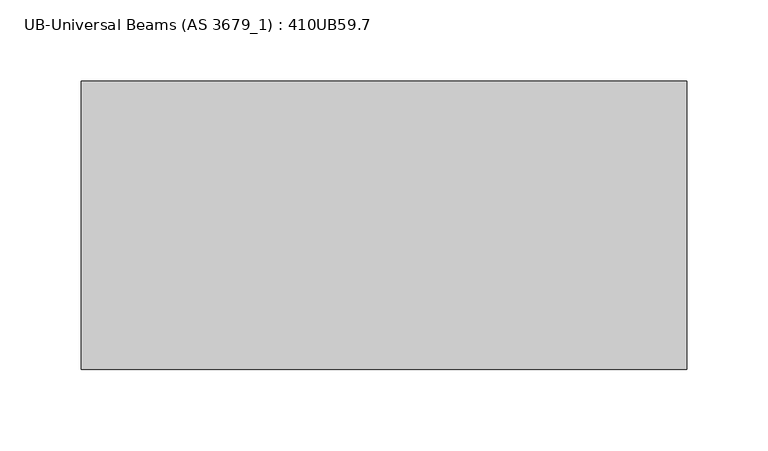
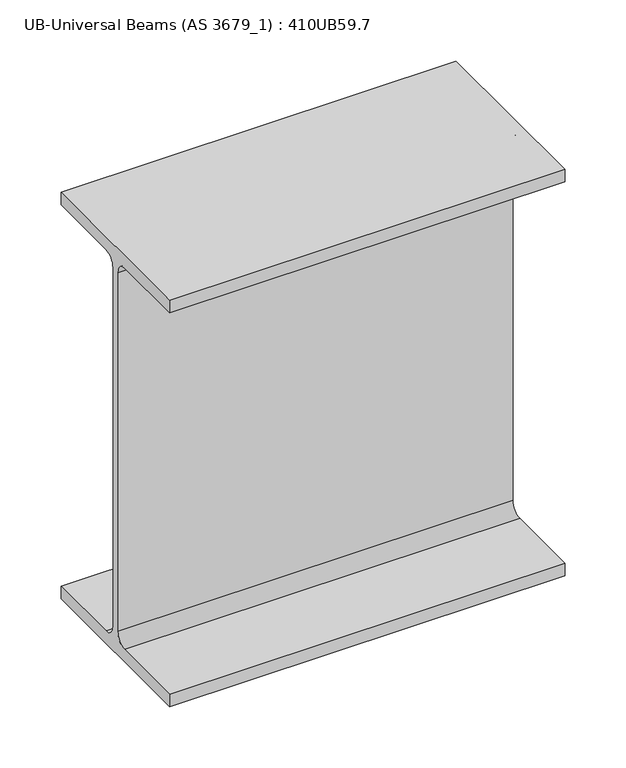
"""IFC4 building model written with IfcOpenShell, lengths in millimetres: beam geometry, UB-Universal Beams (AS 3679_1) : 410UB59.7."""

from ifc_helpers import new_model, si_unit, point, frame, frame_2d, origin, place, context, project, spatial, polyline, circle_curve, trimmed, segment, composite_curve, outline, extrude, source, transform, mapped, element, save


def ub_universal_beams_as_3679_1_410ub59_7_a4b221a9(model_context):
    return source(origin(), model_context, "Body", "SweptSolid", [
        extrude(outline(composite_curve([segment(polyline([(89.0, -190.4), (89.0, -203.2), (-89.0, -203.2), (-89.0, -190.4), (-15.3, -190.4)]), True, "CONTINUOUS"), segment(trimmed(circle_curve(frame_2d((-15.3, -179.0)), 11.4), [point((-15.3, -190.4))], [point((-3.9, -179.0))], True, "CARTESIAN"), True, "CONTINUOUS"), segment(polyline([(-3.9, -179.0), (-3.9, 179.0)]), True, "CONTINUOUS"), segment(trimmed(circle_curve(frame_2d((-15.3, 179.0)), 11.4), [point((-3.9, 179.0))], [point((-15.3, 190.4))], True, "CARTESIAN"), True, "CONTINUOUS"), segment(polyline([(-15.3, 190.4), (-89.0, 190.4), (-89.0, 203.2), (89.0, 203.2), (89.0, 190.4), (15.3, 190.4)]), True, "CONTINUOUS"), segment(trimmed(circle_curve(frame_2d((15.3, 179.0)), 11.4), [point((15.3, 190.4))], [point((3.9, 179.0))], True, "CARTESIAN"), True, "CONTINUOUS"), segment(polyline([(3.9, 179.0), (3.9, -179.0)]), True, "CONTINUOUS"), segment(trimmed(circle_curve(frame_2d((15.3, -179.0)), 11.4), [point((3.9, -179.0))], [point((15.3, -190.4))], True, "CARTESIAN"), True, "CONTINUOUS"), segment(polyline([(15.3, -190.4), (89.0, -190.4)]), True, "CONTINUOUS")], self_intersect=False)), frame((-193.15, 0.0, 0.0), z_axis=(1.0, 0.0, 0.0), x_axis=(0.0, 1.0, 0.0)), (0.0, 0.0, 1.0), 373.5),
    ])


if __name__ == "__main__":
    model = new_model("IFC4")
    model_context = context("Model", 3, world=origin())
    ifc_project = project(units=[si_unit("LENGTHUNIT", "METRE", prefix="MILLI")], contexts=[model_context])
    site = spatial("IfcSite", under=ifc_project)
    building = spatial("IfcBuilding", under=site)
    placement = place(None, origin())
    ub_universal_beams_as_3679_1_410ub59_7_shape = ub_universal_beams_as_3679_1_410ub59_7_a4b221a9(model_context)
    element("IfcBeam", 1, ObjectType="UB-Universal Beams (AS 3679_1) : 410UB59.7", at=placement, inside=building, context=model_context, shape_type="MappedRepresentation", body=[
        mapped(ub_universal_beams_as_3679_1_410ub59_7_shape, transform((0.0, 0.0, 0.0), x_axis=(1.0, 0.0, 0.0), y_axis=(0.0, 1.0, 0.0), z_axis=(0.0, 0.0, 1.0))),
    ])
    save(model, "model.ifc")
